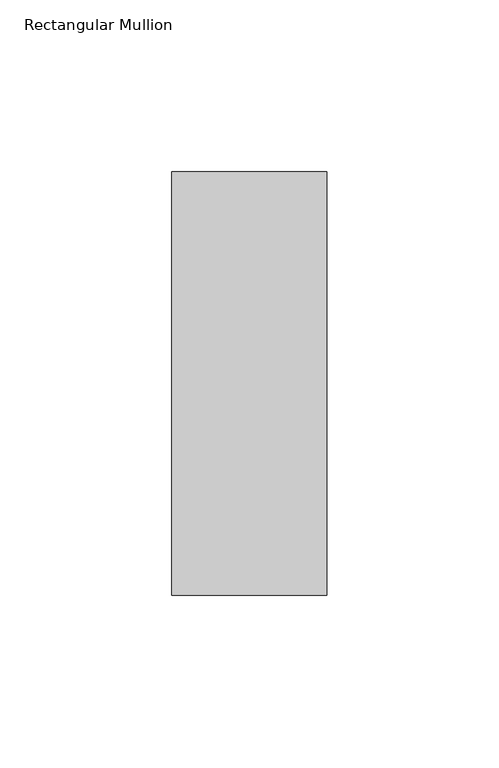
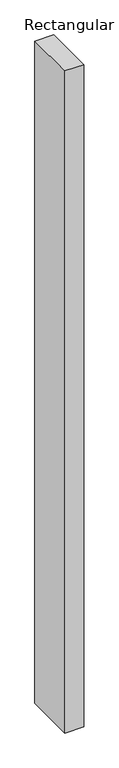
"""IFC4 building model written with IfcOpenShell, lengths in millimetres: member geometry, Rectangular Mullion."""

from ifc_helpers import new_model, si_unit, frame, origin, place, context, project, spatial, polyline, outline, extrude, source, transform, mapped, element, save


def rectangular_mullion_6d9110ab(model_context):
    return source(origin(), model_context, "Body", "SweptSolid", [
        extrude(outline(polyline([(-45.0, 77.05), (0.0, 77.05), (0.0, -46.05), (-45.0, -46.05), (-45.0, 77.05)])), frame((0.0, 0.0, -1660.8004863), z_axis=(0.0, 0.0, 1.0), x_axis=(1.0, 0.0, 0.0)), (0.0, 0.0, 1.0), 1660.8004863),
    ])


if __name__ == "__main__":
    model = new_model("IFC4")
    model_context = context("Model", 3, world=origin())
    ifc_project = project(units=[si_unit("LENGTHUNIT", "METRE", prefix="MILLI")], contexts=[model_context])
    site = spatial("IfcSite", under=ifc_project)
    building = spatial("IfcBuilding", under=site)
    placement = place(None, origin())
    rectangular_mullion_shape = rectangular_mullion_6d9110ab(model_context)
    element("IfcMember", 1, ObjectType="Rectangular Mullion", at=placement, inside=building, context=model_context, shape_type="MappedRepresentation", body=[
        mapped(rectangular_mullion_shape, transform((0.0, 0.0, 0.0), x_axis=(1.0, 0.0, 0.0), y_axis=(0.0, 1.0, 0.0), z_axis=(0.0, 0.0, 1.0))),
    ])
    save(model, "model.ifc")
